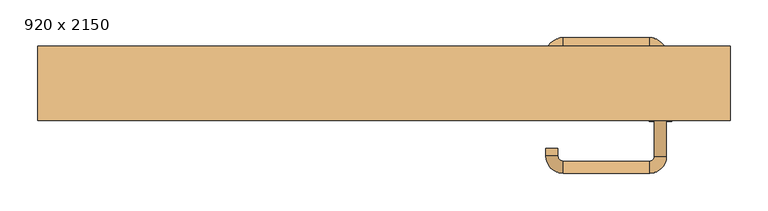
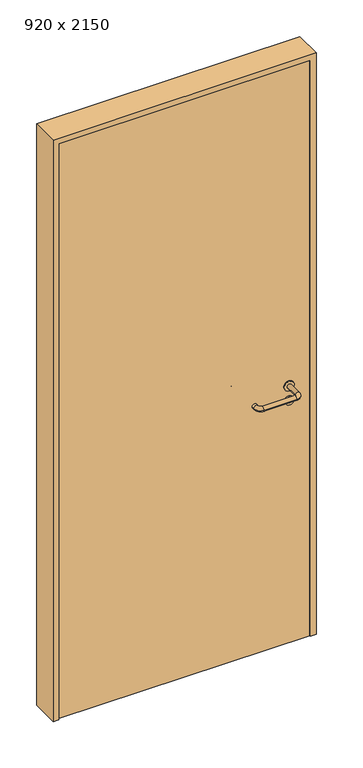
"""IFC4 building model written with IfcOpenShell, lengths in millimetres: door geometry, 920 x 2150."""

from ifc_helpers import new_model, si_unit, point, frame, frame_2d, origin, origin_with_axes, place, context, project, spatial, polyline, circle_curve, ellipse_curve, trimmed, segment, composite_curve, outline, extrude, source, transform, mapped, element, save
from ifc_brep_helpers import plane_surface, cylinder_surface, revolved_surface, advanced_brep


def door_920_x_2150_d147d7b0(model_context):
    return source(origin(), model_context, "Body", "SolidModel", [
        extrude(outline(composite_curve([segment(trimmed(circle_curve(frame_2d((897.3605726, 367.0)), 15.0), [point((897.3605726, 382.0))], [point((897.3605726, 352.0))], False, "CARTESIAN"), True, "CONTINUOUS"), segment(trimmed(circle_curve(frame_2d((897.3605726, 367.0)), 15.0), [point((897.3605726, 352.0))], [point((897.3605726, 382.0))], False, "CARTESIAN"), True, "CONTINUOUS")], self_intersect=False), holes=[composite_curve([segment(trimmed(circle_curve(frame_2d((892.5833211, 366.9398032)), 2.0), [point((892.5833211, 368.9398032))], [point((892.5833211, 364.9398032))], True, "CARTESIAN"), True, "CONTINUOUS"), segment(polyline([(892.5833211, 364.9398032), (902.5833211, 364.9398032)]), True, "CONTINUOUS"), segment(trimmed(circle_curve(frame_2d((902.5833211, 366.9398032)), 2.0), [point((902.5833211, 364.9398032))], [point((902.5833211, 368.9398032))], True, "CARTESIAN"), True, "CONTINUOUS"), segment(polyline([(902.5833211, 368.9398032), (892.5833211, 368.9398032)]), True, "CONTINUOUS")], self_intersect=False)]), frame((0.0, -15.0, 0.0), z_axis=(0.0, 1.0, 0.0), x_axis=(0.0, 0.0, 1.0)), (0.0, 0.0, 1.0), 6.35),
        extrude(outline(composite_curve([segment(trimmed(circle_curve(frame_2d((950.0, 367.0)), 17.526), [point((950.0, 384.526))], [point((950.0, 349.474))], False, "CARTESIAN"), True, "CONTINUOUS"), segment(trimmed(circle_curve(frame_2d((950.0, 367.0)), 17.526), [point((950.0, 349.474))], [point((950.0, 384.526))], False, "CARTESIAN"), True, "CONTINUOUS")], self_intersect=False)), frame((0.0, -15.0, 0.0), z_axis=(0.0, 1.0, 0.0), x_axis=(0.0, 0.0, 1.0)), (0.0, 0.0, 1.0), 3.175),
        advanced_brep(
        [(375.0, -15.0, 950.0), (359.0, -15.0, 950.0), (375.0, 38.0, 950.0), (359.0, 38.0, 950.0), (352.8578644, 44.1421356, 950.0), (352.8578644, 60.1421356, 950.0), (237.8578644, 60.1421356, 950.0), (237.8578644, 44.1421356, 950.0), (231.008622, 37.2928932, 950.0), (215.008622, 37.2928932, 950.0), (215.008622, 27.2928932, 950.0), (231.008622, 27.2928932, 950.0)],
        [
            (0, 1, circle_curve(frame((367.0, -15.0, 950.0), z_axis=(0.0, -1.0, 0.0), x_axis=(-1.0, 0.0, 0.0)), 8.0)),
            (1, 0, circle_curve(frame((367.0, -15.0, 950.0), z_axis=(0.0, -1.0, 0.0), x_axis=(-1.0, 0.0, 0.0)), 8.0)),
            (0, 2),
            (2, 3, circle_curve(frame((367.0, 38.0, 950.0), z_axis=(0.0, -1.0, 0.0), x_axis=(-1.0, 0.0, 0.0)), 8.0)),
            (3, 1),
            (3, 2, circle_curve(frame((367.0, 38.0, 950.0), z_axis=(0.0, -1.0, 0.0), x_axis=(-1.0, 0.0, 0.0)), 8.0)),
            (4, 3, circle_curve(frame((352.8578644, 38.0, 950.0), z_axis=(0.0, 0.0, -1.0), x_axis=(1.0, 0.0, 0.0)), 6.1421356)),
            (2, 5, circle_curve(frame((352.8578644, 38.0, 950.0), z_axis=(0.0, 0.0, 1.0), x_axis=(1.0, 0.0, 0.0)), 22.1421356)),
            (5, 4, circle_curve(frame((352.8578644, 52.1421356, 950.0), z_axis=(1.0, 0.0, 0.0), x_axis=(0.0, -1.0, 0.0)), 8.0)),
            (4, 5, circle_curve(frame((352.8578644, 52.1421356, 950.0), z_axis=(1.0, 0.0, 0.0), x_axis=(0.0, -1.0, 0.0)), 8.0)),
            (5, 6),
            (6, 7, circle_curve(frame((237.8578644, 52.1421356, 950.0), z_axis=(1.0, 0.0, 0.0), x_axis=(0.0, -1.0, 0.0)), 8.0)),
            (7, 4),
            (7, 6, circle_curve(frame((237.8578644, 52.1421356, 950.0), z_axis=(1.0, 0.0, 0.0), x_axis=(0.0, -1.0, 0.0)), 8.0)),
            (8, 7, circle_curve(frame((237.8578644, 37.2928932, 950.0), z_axis=(0.0, 0.0, -1.0), x_axis=(0.0, 1.0, 0.0)), 6.8492424)),
            (6, 9, circle_curve(frame((237.8578644, 37.2928932, 950.0), z_axis=(0.0, 0.0, 1.0), x_axis=(0.0, 1.0, 0.0)), 22.8492424)),
            (9, 8, circle_curve(frame((223.008622, 37.2928932, 950.0), z_axis=(0.0, 1.0, 0.0), x_axis=(1.0, 0.0, 0.0)), 8.0)),
            (8, 9, circle_curve(frame((223.008622, 37.2928932, 950.0), z_axis=(0.0, 1.0, 0.0), x_axis=(1.0, 0.0, 0.0)), 8.0)),
            (10, 11, circle_curve(frame((223.008622, 27.2928932, 950.0), z_axis=(0.0, -1.0, 0.0), x_axis=(1.0, 0.0, 0.0)), 8.0)),
            (11, 10, circle_curve(frame((223.008622, 27.2928932, 950.0), z_axis=(0.0, -1.0, 0.0), x_axis=(1.0, 0.0, 0.0)), 8.0)),
            (9, 10),
            (11, 8),
        ],
        [
            plane_surface(frame((367.0, -15.0, 0.0), z_axis=(0.0, -1.0, 0.0), x_axis=(0.0, 0.0, 1.0))),
            cylinder_surface(frame((367.0, -15.0, 950.0), z_axis=(0.0, -1.0, 0.0), x_axis=(-1.0, 0.0, 0.0)), 8.0),
            revolved_surface(trimmed(ellipse_curve(frame((367.0, 38.0, 950.0), z_axis=(0.0, -1.0, 0.0), x_axis=(-1.0, 0.0, 0.0)), 8.0, 8.0), [point((375.0, 38.0, 950.0))], [point((359.0, 38.0, 950.0))], True, "CARTESIAN"), (352.8578644, 38.0, 0.0), (0.0, 0.0, 1.0)),
            revolved_surface(trimmed(ellipse_curve(frame((367.0, 38.0, 950.0), z_axis=(0.0, -1.0, 0.0), x_axis=(-1.0, 0.0, 0.0)), 8.0, 8.0), [point((359.0, 38.0, 950.0))], [point((375.0, 38.0, 950.0))], True, "CARTESIAN"), (352.8578644, 38.0, 0.0), (0.0, 0.0, 1.0)),
            cylinder_surface(frame((352.8578644, 52.1421356, 950.0), z_axis=(1.0, 0.0, 0.0), x_axis=(0.0, -1.0, 0.0)), 8.0),
            revolved_surface(trimmed(ellipse_curve(frame((237.8578644, 52.1421356, 950.0), z_axis=(1.0, 0.0, 0.0), x_axis=(0.0, -1.0, 0.0)), 8.0, 8.0), [point((237.8578644, 60.1421356, 950.0))], [point((237.8578644, 44.1421356, 950.0))], True, "CARTESIAN"), (237.8578644, 37.2928932, 0.0), (0.0, 0.0, 1.0)),
            revolved_surface(trimmed(ellipse_curve(frame((237.8578644, 52.1421356, 950.0), z_axis=(1.0, 0.0, 0.0), x_axis=(0.0, -1.0, 0.0)), 8.0, 8.0), [point((237.8578644, 44.1421356, 950.0))], [point((237.8578644, 60.1421356, 950.0))], True, "CARTESIAN"), (237.8578644, 37.2928932, 0.0), (0.0, 0.0, 1.0)),
            plane_surface(frame((223.008622, 27.2928932, 0.0), z_axis=(0.0, -1.0, 0.0), x_axis=(0.0, 0.0, 1.0))),
            cylinder_surface(frame((223.008622, 37.2928932, 950.0), z_axis=(0.0, 1.0, 0.0), x_axis=(1.0, 0.0, 0.0)), 8.0),
        ],
        [
            (0, [[1, 2]]),
            (1, [[-1, 3, 4, 5]]),
            (1, [[-2, -5, 6, -3]]),
            (2, [[7, -4, 8, 9]]),
            (3, [[-8, -6, -7, 10]]),
            (4, [[-9, 11, 12, 13]]),
            (4, [[-10, -13, 14, -11]]),
            (5, [[15, -12, 16, 17]]),
            (6, [[-16, -14, -15, 18]]),
            (7, [[19, 20]]),
            (8, [[-17, 21, -20, 22]]),
            (8, [[-18, -22, -19, -21]]),
        ],
    ),
        extrude(outline(composite_curve([segment(trimmed(circle_curve(frame_2d((0.0, 15.0)), 15.0), [point((0.0, 30.0))], [point((0.0, 0.0))], False, "CARTESIAN"), True, "CONTINUOUS"), segment(trimmed(circle_curve(frame_2d((0.0, 15.0)), 15.0), [point((0.0, 0.0))], [point((0.0, 30.0))], False, "CARTESIAN"), True, "CONTINUOUS")], self_intersect=False), holes=[composite_curve([segment(trimmed(circle_curve(frame_2d((-4.7772515, 14.9398032)), 2.0), [point((-4.7772515, 16.9398032))], [point((-4.7772515, 12.9398032))], True, "CARTESIAN"), True, "CONTINUOUS"), segment(polyline([(-4.7772515, 12.9398032), (5.2227485, 12.9398032)]), True, "CONTINUOUS"), segment(trimmed(circle_curve(frame_2d((5.2227485, 14.9398032)), 2.0), [point((5.2227485, 12.9398032))], [point((5.2227485, 16.9398032))], True, "CARTESIAN"), True, "CONTINUOUS"), segment(polyline([(5.2227485, 16.9398032), (-4.7772515, 16.9398032)]), True, "CONTINUOUS")], self_intersect=False)]), frame((352.0, -51.35, 897.3605726), z_axis=(-1.8870575173328306e-12, 1.0, 0.0), x_axis=(0.0, 0.0, 1.0)), (0.0, 0.0, 1.0), 6.35),
        extrude(outline(composite_curve([segment(trimmed(circle_curve(frame_2d((0.0, 17.526)), 17.526), [point((0.0, 35.052))], [point((0.0, 0.0))], False, "CARTESIAN"), True, "CONTINUOUS"), segment(trimmed(circle_curve(frame_2d((0.0, 17.526)), 17.526), [point((0.0, 0.0))], [point((0.0, 35.052))], False, "CARTESIAN"), True, "CONTINUOUS")], self_intersect=False)), frame((349.474, -48.175, 950.0), z_axis=(-1.8870575173328306e-12, 1.0, 0.0), x_axis=(0.0, 0.0, 1.0)), (0.0, 0.0, 1.0), 3.175),
        advanced_brep(
        [(375.0, -45.0, 950.0), (359.0, -45.0, 950.0), (359.0, -98.0, 950.0), (375.0, -98.0, 950.0), (352.8578644, -104.1421356, 950.0), (352.8578644, -120.1421356, 950.0), (237.8578644, -104.1421356, 950.0), (237.8578644, -120.1421356, 950.0), (231.008622, -97.2928932, 950.0), (215.008622, -97.2928932, 950.0), (215.008622, -87.2928932, 950.0), (231.008622, -87.2928932, 950.0)],
        [
            (0, 1, circle_curve(frame((367.0, -45.0, 950.0), z_axis=(-1.888672253512351e-12, 1.0, 0.0), x_axis=(-1.0, -1.888672253512351e-12, 0.0)), 8.0)),
            (1, 0, circle_curve(frame((367.0, -45.0, 950.0), z_axis=(-1.888672253512351e-12, 1.0, 0.0), x_axis=(-1.0, -1.888672253512351e-12, 0.0)), 8.0)),
            (1, 2),
            (2, 3, circle_curve(frame((367.0, -98.0, 950.0), z_axis=(-1.888672253512351e-12, 1.0, 0.0), x_axis=(-1.0, -1.888672253512351e-12, 0.0)), 8.0)),
            (3, 0),
            (3, 2, circle_curve(frame((367.0, -98.0, 950.0), z_axis=(-1.888672253512351e-12, 1.0, 0.0), x_axis=(-1.0, -1.888672253512351e-12, 0.0)), 8.0)),
            (4, 5, circle_curve(frame((352.8578644, -112.1421356, 950.0), z_axis=(1.0, 1.913702061528922e-12, 0.0), x_axis=(-1.913702061528922e-12, 1.0, 0.0)), 8.0)),
            (5, 3, circle_curve(frame((352.8578644, -98.0, 950.0), z_axis=(0.0, 0.0, 1.0), x_axis=(1.0, 1.880717803715015e-12, 0.0)), 22.1421356)),
            (2, 4, circle_curve(frame((352.8578644, -98.0, 950.0), z_axis=(0.0, 0.0, -1.0), x_axis=(1.0, 1.880717803715015e-12, 0.0)), 6.1421356)),
            (5, 4, circle_curve(frame((352.8578644, -112.1421356, 950.0), z_axis=(1.0, 1.913702061528922e-12, 0.0), x_axis=(-1.913702061528922e-12, 1.0, 0.0)), 8.0)),
            (4, 6),
            (6, 7, circle_curve(frame((237.8578644, -112.1421356, 950.0), z_axis=(1.0, 1.913719828541269e-12, 0.0), x_axis=(-1.913719828541269e-12, 1.0, 0.0)), 8.0)),
            (7, 5),
            (7, 6, circle_curve(frame((237.8578644, -112.1421356, 950.0), z_axis=(1.0, 1.913719828541269e-12, 0.0), x_axis=(-1.913719828541269e-12, 1.0, 0.0)), 8.0)),
            (8, 9, circle_curve(frame((223.008622, -97.2928932, 950.0), z_axis=(1.8888942981172756e-12, -1.0, 0.0), x_axis=(1.0, 1.8888942981172756e-12, 0.0)), 8.0)),
            (9, 7, circle_curve(frame((237.8578644, -97.2928932, 950.0), z_axis=(0.0, 0.0, 1.0), x_axis=(1.9120873253494017e-12, -1.0, 0.0)), 22.8492424)),
            (6, 8, circle_curve(frame((237.8578644, -97.2928932, 950.0), z_axis=(0.0, 0.0, -1.0), x_axis=(1.9120873253494017e-12, -1.0, 0.0)), 6.8492424)),
            (9, 8, circle_curve(frame((223.008622, -97.2928932, 950.0), z_axis=(1.890448610351751e-12, -1.0, 0.0), x_axis=(1.0, 1.890448610351751e-12, 0.0)), 8.0)),
            (10, 11, circle_curve(frame((223.008622, -87.2928932, 950.0), z_axis=(-1.8903642334018795e-12, 1.0, 0.0), x_axis=(1.0, 1.8903642334018795e-12, 0.0)), 8.0)),
            (11, 10, circle_curve(frame((223.008622, -87.2928932, 950.0), z_axis=(-1.8903642334018795e-12, 1.0, 0.0), x_axis=(1.0, 1.8903642334018795e-12, 0.0)), 8.0)),
            (8, 11),
            (10, 9),
        ],
        [
            plane_surface(frame((367.0, -45.0, 0.0), z_axis=(-1.8870575173328306e-12, 1.0, 0.0), x_axis=(0.0, 0.0, 1.0))),
            cylinder_surface(frame((367.0, -45.0, 950.0), z_axis=(-1.888672253512351e-12, 1.0, 0.0), x_axis=(-1.0, -1.888672253512351e-12, 0.0)), 8.0),
            revolved_surface(trimmed(ellipse_curve(frame((367.0, -98.0, 950.0), z_axis=(1.8823325398945356e-12, -1.0, 0.0), x_axis=(-1.0, -1.8823325398945356e-12, 0.0)), 8.0, 8.0), [point((375.0, -98.0, 950.0))], [point((359.0, -98.0, 950.0))], True, "CARTESIAN"), (352.8578644, -98.0, 0.0), (0.0, 0.0, 1.0)),
            revolved_surface(trimmed(ellipse_curve(frame((367.0, -98.0, 950.0), z_axis=(1.8823325398945356e-12, -1.0, 0.0), x_axis=(-1.0, -1.8823325398945356e-12, 0.0)), 8.0, 8.0), [point((359.0, -98.0, 950.0))], [point((375.0, -98.0, 950.0))], True, "CARTESIAN"), (352.8578644, -98.0, 0.0), (0.0, 0.0, 1.0)),
            cylinder_surface(frame((352.8578644, -112.1421356, 950.0), z_axis=(1.0, 1.913719828541269e-12, 0.0), x_axis=(-1.913719828541269e-12, 1.0, 0.0)), 8.0),
            revolved_surface(trimmed(ellipse_curve(frame((237.8578644, -112.1421356, 950.0), z_axis=(-1.0, -1.913702061528922e-12, 0.0), x_axis=(-1.913702061528922e-12, 1.0, 0.0)), 8.0, 8.0), [point((237.8578644, -120.1421356, 950.0))], [point((237.8578644, -104.1421356, 950.0))], True, "CARTESIAN"), (237.8578644, -97.2928932, 0.0), (0.0, 0.0, 1.0)),
            revolved_surface(trimmed(ellipse_curve(frame((237.8578644, -112.1421356, 950.0), z_axis=(-1.0, -1.913702061528922e-12, 0.0), x_axis=(-1.913702061528922e-12, 1.0, 0.0)), 8.0, 8.0), [point((237.8578644, -104.1421356, 950.0))], [point((237.8578644, -120.1421356, 950.0))], True, "CARTESIAN"), (237.8578644, -97.2928932, 0.0), (0.0, 0.0, 1.0)),
            plane_surface(frame((223.008622, -87.2928932, 0.0), z_axis=(-1.8887494972223595e-12, 1.0, 0.0), x_axis=(0.0, 0.0, 1.0))),
            cylinder_surface(frame((223.008622, -97.2928932, 950.0), z_axis=(1.8903642334018795e-12, -1.0, 0.0), x_axis=(1.0, 1.8903642334018795e-12, 0.0)), 8.0),
        ],
        [
            (0, [[1, 2]]),
            (1, [[3, 4, 5, -2]]),
            (1, [[-5, 6, -3, -1]]),
            (2, [[7, 8, -4, 9]]),
            (3, [[10, -9, -6, -8]]),
            (4, [[11, 12, 13, -7]]),
            (4, [[-13, 14, -11, -10]]),
            (5, [[15, 16, -12, 17]]),
            (6, [[18, -17, -14, -16]]),
            (7, [[19, 20]]),
            (8, [[21, -19, 22, -15]]),
            (8, [[-22, -20, -21, -18]]),
        ],
    ),
        extrude(outline(polyline([(2130.0, 440.0), (0.0, 440.0), (0.0, 460.0), (2150.0, 460.0), (2150.0, -460.0), (0.0, -460.0), (0.0, -440.0), (2130.0, -440.0), (2130.0, 440.0)])), frame((0.0, -50.0, 0.0), z_axis=(0.0, 1.0, 0.0), x_axis=(0.0, 0.0, 1.0)), (0.0, 0.0, 1.0), 99.0),
        extrude(outline(polyline([(-440.0, -45.0), (-440.0, -15.0), (440.0, -15.0), (440.0, -45.0), (-440.0, -45.0)])), origin_with_axes(), (0.0, 0.0, 1.0), 2130.0),
    ])


if __name__ == "__main__":
    model = new_model("IFC4")
    model_context = context("Model", 3, world=origin())
    ifc_project = project(units=[si_unit("LENGTHUNIT", "METRE", prefix="MILLI")], contexts=[model_context])
    site = spatial("IfcSite", under=ifc_project)
    building = spatial("IfcBuilding", under=site)
    placement = place(None, origin())
    door_920_x_2150_shape = door_920_x_2150_d147d7b0(model_context)
    element("IfcDoor", 1, ObjectType="920 x 2150", at=placement, inside=building, context=model_context, shape_type="MappedRepresentation", body=[
        mapped(door_920_x_2150_shape, transform((0.0, 0.0, 0.0), x_axis=(1.0, 0.0, 0.0), y_axis=(0.0, 1.0, 0.0), z_axis=(0.0, 0.0, 1.0))),
    ])
    save(model, "model.ifc")
